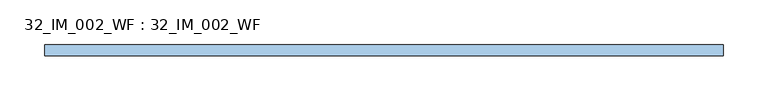
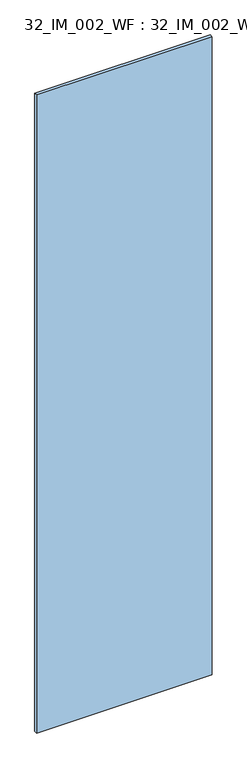
"""IFC4 building model written with IfcOpenShell, lengths in millimetres: window geometry, 32_IM_002_WF : 32_IM_002_WF."""

from ifc_helpers import new_model, si_unit, origin, origin_with_axes, place, context, project, spatial, polyline, outline, extrude, source, transform, mapped, element, save


def window_32_im_002_wf_32_im_002_wf_79b34d4d(model_context):
    return source(origin(), model_context, "Body", "SweptSolid", [
        extrude(outline(polyline([(378.0, 6.0), (378.0, -6.0), (-378.0, -6.0), (-378.0, 6.0), (378.0, 6.0)])), origin_with_axes(), (0.0, 0.0, 1.0), 2903.0),
    ])


if __name__ == "__main__":
    model = new_model("IFC4")
    model_context = context("Model", 3, world=origin())
    ifc_project = project(units=[si_unit("LENGTHUNIT", "METRE", prefix="MILLI")], contexts=[model_context])
    site = spatial("IfcSite", under=ifc_project)
    building = spatial("IfcBuilding", under=site)
    placement = place(None, origin())
    window_32_im_002_wf_32_im_002_wf_shape = window_32_im_002_wf_32_im_002_wf_79b34d4d(model_context)
    element("IfcWindow", 1, ObjectType="32_IM_002_WF : 32_IM_002_WF", at=placement, inside=building, context=model_context, shape_type="MappedRepresentation", body=[
        mapped(window_32_im_002_wf_32_im_002_wf_shape, transform((0.0, 0.0, 0.0), x_axis=(1.0, 0.0, 0.0), y_axis=(0.0, 1.0, 0.0), z_axis=(0.0, 0.0, 1.0))),
    ])
    save(model, "model.ifc")
